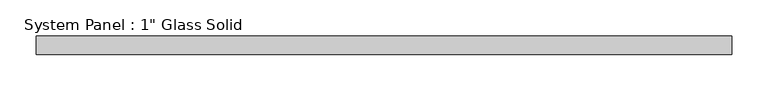
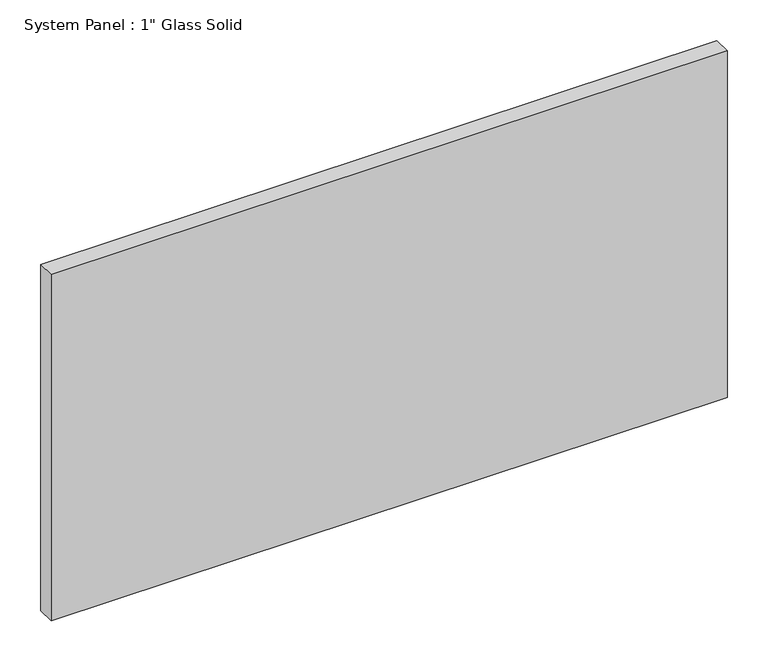
"""IFC4 building model written with IfcOpenShell, lengths in millimetres: plate geometry."""

from ifc_helpers import new_model, si_unit, origin, origin_with_axes, place, context, project, spatial, polyline, outline, extrude, source, transform, mapped, element, save


def plate_11180cdf(model_context):
    return source(origin(), model_context, "Body", "SweptSolid", [
        extrude(outline(polyline([(479.425, -12.7), (-479.425, -12.7), (-479.425, 12.7), (479.425, 12.7), (479.425, -12.7)])), origin_with_axes(), (0.0, 0.0, 1.0), 519.5423678),
    ])


if __name__ == "__main__":
    model = new_model("IFC4")
    model_context = context("Model", 3, world=origin())
    ifc_project = project(units=[si_unit("LENGTHUNIT", "METRE", prefix="MILLI")], contexts=[model_context])
    site = spatial("IfcSite", under=ifc_project)
    building = spatial("IfcBuilding", under=site)
    placement = place(None, origin())
    plate_shape = plate_11180cdf(model_context)
    element("IfcPlate", 1, ObjectType="System Panel : 1\" Glass Solid", at=placement, inside=building, context=model_context, shape_type="MappedRepresentation", body=[
        mapped(plate_shape, transform((0.0, 0.0, 0.0), x_axis=(1.0, 0.0, 0.0), y_axis=(0.0, 1.0, 0.0), z_axis=(0.0, 0.0, 1.0))),
    ])
    save(model, "model.ifc")
